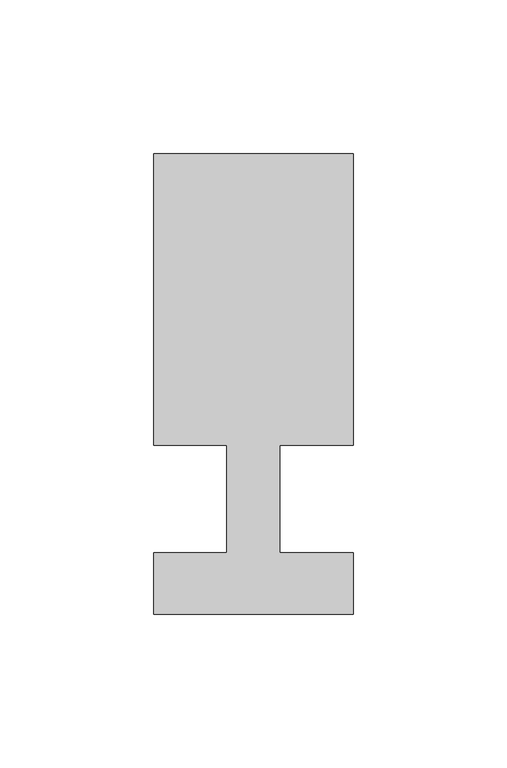
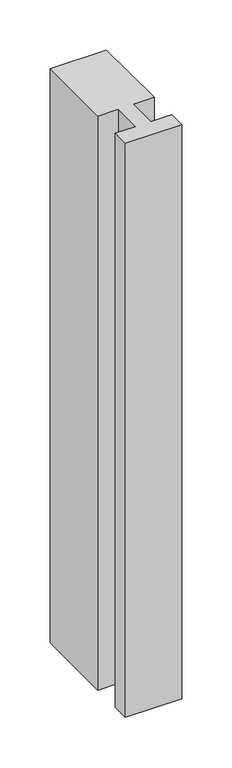
"""IFC4 building model written with IfcOpenShell, lengths in millimetres: member geometry."""

from ifc_helpers import new_model, si_unit, frame, origin, place, context, project, spatial, polyline, outline, extrude, source, transform, mapped, element, save


def member_d3f9b282(model_context):
    return source(origin(), model_context, "Body", "SweptSolid", [
        extrude(outline(polyline([(-65.0, -37.0), (-65.0, -17.0), (-41.1875, -17.0), (-41.1875, 18.0), (-65.0, 18.0), (-65.0, 113.0), (0.0, 113.0), (0.0, 18.0), (-23.8125, 18.0), (-23.8125, -17.0), (0.0, -17.0), (0.0, -37.0), (-65.0, -37.0)])), frame((0.0, 0.0, -700.0), z_axis=(0.0, 0.0, 1.0), x_axis=(1.0, 0.0, 0.0)), (0.0, 0.0, 1.0), 700.0),
    ])


if __name__ == "__main__":
    model = new_model("IFC4")
    model_context = context("Model", 3, world=origin())
    ifc_project = project(units=[si_unit("LENGTHUNIT", "METRE", prefix="MILLI")], contexts=[model_context])
    site = spatial("IfcSite", under=ifc_project)
    building = spatial("IfcBuilding", under=site)
    placement = place(None, origin())
    member_shape = member_d3f9b282(model_context)
    element("IfcMember", 1, at=placement, inside=building, context=model_context, shape_type="MappedRepresentation", body=[
        mapped(member_shape, transform((0.0, 0.0, 0.0), x_axis=(1.0, 0.0, 0.0), y_axis=(0.0, 1.0, 0.0), z_axis=(0.0, 0.0, 1.0))),
    ])
    save(model, "model.ifc")
